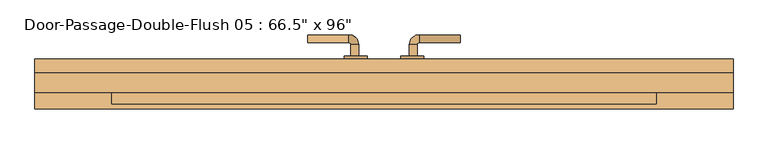
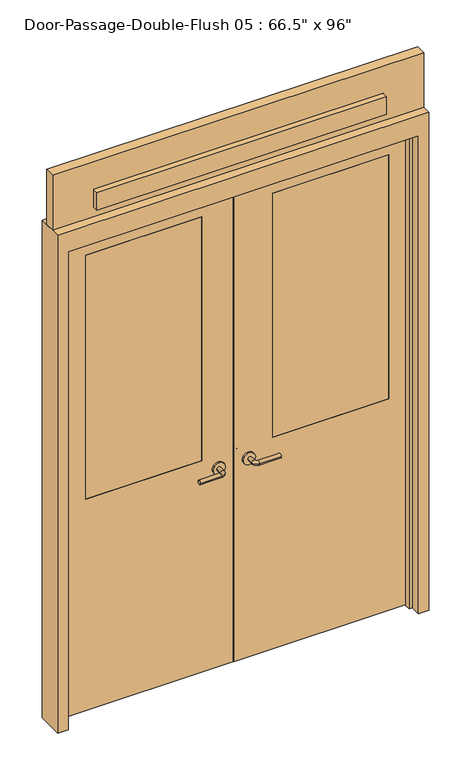
"""IFC4 building model written with IfcOpenShell, lengths in millimetres: door geometry."""

from ifc_helpers import new_model, si_unit, point, frame, frame_2d, origin, place, context, project, spatial, polyline, circle_curve, ellipse_curve, trimmed, segment, composite_curve, outline, extrude, faceted_brep, source, transform, mapped, element, save
from ifc_brep_helpers import plane_surface, cylinder_surface, revolved_surface, advanced_brep


def door_cf16450a(model_context):
    return source(origin(), model_context, "Body", "SolidModel", [
        advanced_brep(
        [(-65.009375, -87.375, 1016.0), (-85.009375, -87.375, 1016.0), (-65.009375, -117.375, 1016.0), (-85.009375, -117.375, 1016.0), (-90.009375, -122.375, 1016.0), (-90.009375, -142.375, 1016.0), (-195.009375, -142.375, 1016.0), (-195.009375, -122.375, 1016.0)],
        [
            (0, 1, circle_curve(frame((-75.009375, -87.375, 1016.0), z_axis=(0.0, 1.0, 0.0), x_axis=(-1.0, 0.0, 0.0)), 10.0)),
            (1, 0, circle_curve(frame((-75.009375, -87.375, 1016.0), z_axis=(0.0, 1.0, 0.0), x_axis=(-1.0, 0.0, 0.0)), 10.0)),
            (0, 2),
            (2, 3, circle_curve(frame((-75.009375, -117.375, 1016.0), z_axis=(0.0, 1.0, 0.0), x_axis=(-1.0, 0.0, 0.0)), 10.0)),
            (3, 1),
            (3, 2, circle_curve(frame((-75.009375, -117.375, 1016.0), z_axis=(0.0, 1.0, 0.0), x_axis=(-1.0, 0.0, 0.0)), 10.0)),
            (4, 3, circle_curve(frame((-90.009375, -117.375, 1016.0), z_axis=(0.0, 0.0, 1.0), x_axis=(1.0, 0.0, 0.0)), 5.0)),
            (2, 5, circle_curve(frame((-90.009375, -117.375, 1016.0), z_axis=(0.0, 0.0, -1.0), x_axis=(1.0, 0.0, 0.0)), 25.0)),
            (5, 4, circle_curve(frame((-90.009375, -132.375, 1016.0), z_axis=(1.0, 0.0, 0.0), x_axis=(0.0, 1.0, 0.0)), 10.0)),
            (4, 5, circle_curve(frame((-90.009375, -132.375, 1016.0), z_axis=(1.0, 0.0, 0.0), x_axis=(0.0, 1.0, 0.0)), 10.0)),
            (6, 7, circle_curve(frame((-195.009375, -132.375, 1016.0), z_axis=(-1.0, 0.0, 0.0), x_axis=(0.0, 1.0, 0.0)), 10.0)),
            (7, 6, circle_curve(frame((-195.009375, -132.375, 1016.0), z_axis=(-1.0, 0.0, 0.0), x_axis=(0.0, 1.0, 0.0)), 10.0)),
            (5, 6),
            (7, 4),
        ],
        [
            plane_surface(frame((-75.009375, -87.375, 1016.0), z_axis=(0.0, 1.0, 0.0), x_axis=(0.0, 0.0, 1.0))),
            cylinder_surface(frame((-75.009375, -87.375, 1016.0), z_axis=(0.0, 1.0, 0.0), x_axis=(-1.0, 0.0, 0.0)), 10.0),
            revolved_surface(trimmed(ellipse_curve(frame((-75.009375, -117.375, 1016.0), z_axis=(0.0, 1.0, 0.0), x_axis=(-1.0, 0.0, 0.0)), 10.0, 10.0), [point((-65.009375, -117.375, 1016.0))], [point((-85.009375, -117.375, 1016.0))], True, "CARTESIAN"), (-90.009375, -117.375, 1016.0), (0.0, 0.0, -1.0)),
            revolved_surface(trimmed(ellipse_curve(frame((-75.009375, -117.375, 1016.0), z_axis=(0.0, 1.0, 0.0), x_axis=(-1.0, 0.0, 0.0)), 10.0, 10.0), [point((-85.009375, -117.375, 1016.0))], [point((-65.009375, -117.375, 1016.0))], True, "CARTESIAN"), (-90.009375, -117.375, 1016.0), (0.0, 0.0, -1.0)),
            plane_surface(frame((-195.009375, -132.375, 1016.0), z_axis=(-1.0, 0.0, 0.0), x_axis=(0.0, 0.0, 1.0))),
            cylinder_surface(frame((-90.009375, -132.375, 1016.0), z_axis=(1.0, 0.0, 0.0), x_axis=(0.0, 1.0, 0.0)), 10.0),
        ],
        [
            (0, [[1, 2]]),
            (1, [[-1, 3, 4, 5]]),
            (1, [[-2, -5, 6, -3]]),
            (2, [[7, -4, 8, 9]]),
            (3, [[-8, -6, -7, 10]]),
            (4, [[11, 12]]),
            (5, [[-9, 13, -12, 14]]),
            (5, [[-10, -14, -11, -13]]),
        ],
    ),
        extrude(outline(composite_curve([segment(trimmed(circle_curve(frame_2d((1016.0, -72.509375)), 30.0), [point((1016.0, -42.509375))], [point((1016.0, -102.509375))], False, "CARTESIAN"), True, "CONTINUOUS"), segment(trimmed(circle_curve(frame_2d((1016.0, -72.509375)), 30.0), [point((1016.0, -102.509375))], [point((1016.0, -42.509375))], False, "CARTESIAN"), True, "CONTINUOUS")], self_intersect=False)), frame((0.0, -87.375, 0.0), z_axis=(0.0, 1.0, 0.0), x_axis=(0.0, 0.0, 1.0)), (0.0, 0.0, 1.0), 8.0),
        advanced_brep(
        [(-65.009375, -26.925, 1016.0), (-85.009375, -26.925, 1016.0), (-85.009375, 3.075, 1016.0), (-65.009375, 3.075, 1016.0), (-90.009375, 8.075, 1016.0), (-90.009375, 28.075, 1016.0), (-195.009375, 28.075, 1016.0), (-195.009375, 8.075, 1016.0)],
        [
            (0, 1, circle_curve(frame((-75.009375, -26.925, 1016.0), z_axis=(0.0, -1.0, 0.0), x_axis=(-1.0, 0.0, 0.0)), 10.0)),
            (1, 0, circle_curve(frame((-75.009375, -26.925, 1016.0), z_axis=(0.0, -1.0, 0.0), x_axis=(-1.0, 0.0, 0.0)), 10.0)),
            (1, 2),
            (2, 3, circle_curve(frame((-75.009375, 3.075, 1016.0), z_axis=(0.0, -1.0, 0.0), x_axis=(-1.0, 0.0, 0.0)), 10.0)),
            (3, 0),
            (3, 2, circle_curve(frame((-75.009375, 3.075, 1016.0), z_axis=(0.0, -1.0, 0.0), x_axis=(-1.0, 0.0, 0.0)), 10.0)),
            (4, 5, circle_curve(frame((-90.009375, 18.075, 1016.0), z_axis=(1.0, 0.0, 0.0), x_axis=(0.0, -1.0, 0.0)), 10.0)),
            (5, 3, circle_curve(frame((-90.009375, 3.075, 1016.0), z_axis=(0.0, 0.0, -1.0), x_axis=(1.0, 0.0, 0.0)), 25.0)),
            (2, 4, circle_curve(frame((-90.009375, 3.075, 1016.0), z_axis=(0.0, 0.0, 1.0), x_axis=(1.0, 0.0, 0.0)), 5.0)),
            (5, 4, circle_curve(frame((-90.009375, 18.075, 1016.0), z_axis=(1.0, 0.0, 0.0), x_axis=(0.0, -1.0, 0.0)), 10.0)),
            (6, 7, circle_curve(frame((-195.009375, 18.075, 1016.0), z_axis=(-1.0, 0.0, 0.0), x_axis=(0.0, -1.0, 0.0)), 10.0)),
            (7, 6, circle_curve(frame((-195.009375, 18.075, 1016.0), z_axis=(-1.0, 0.0, 0.0), x_axis=(0.0, -1.0, 0.0)), 10.0)),
            (4, 7),
            (6, 5),
        ],
        [
            plane_surface(frame((-75.009375, -26.925, 1016.0), z_axis=(0.0, -1.0, 0.0), x_axis=(0.0, 0.0, 1.0))),
            cylinder_surface(frame((-75.009375, -26.925, 1016.0), z_axis=(0.0, -1.0, 0.0), x_axis=(-1.0, 0.0, 0.0)), 10.0),
            revolved_surface(trimmed(ellipse_curve(frame((-75.009375, 3.075, 1016.0), z_axis=(0.0, 1.0, 0.0), x_axis=(-1.0, 0.0, 0.0)), 10.0, 10.0), [point((-65.009375, 3.075, 1016.0))], [point((-85.009375, 3.075, 1016.0))], True, "CARTESIAN"), (-90.009375, 3.075, 1016.0), (0.0, 0.0, -1.0)),
            revolved_surface(trimmed(ellipse_curve(frame((-75.009375, 3.075, 1016.0), z_axis=(0.0, 1.0, 0.0), x_axis=(-1.0, 0.0, 0.0)), 10.0, 10.0), [point((-85.009375, 3.075, 1016.0))], [point((-65.009375, 3.075, 1016.0))], True, "CARTESIAN"), (-90.009375, 3.075, 1016.0), (0.0, 0.0, -1.0)),
            plane_surface(frame((-195.009375, 18.075, 1016.0), z_axis=(-1.0, 0.0, 0.0), x_axis=(0.0, 0.0, 1.0))),
            cylinder_surface(frame((-90.009375, 18.075, 1016.0), z_axis=(1.0, 0.0, 0.0), x_axis=(0.0, -1.0, 0.0)), 10.0),
        ],
        [
            (0, [[1, 2]]),
            (1, [[3, 4, 5, -2]]),
            (1, [[-5, 6, -3, -1]]),
            (2, [[7, 8, -4, 9]]),
            (3, [[10, -9, -6, -8]]),
            (4, [[11, 12]]),
            (5, [[13, -11, 14, -7]]),
            (5, [[-14, -12, -13, -10]]),
        ],
    ),
        extrude(outline(composite_curve([segment(trimmed(circle_curve(frame_2d((1016.0, -72.509375)), 30.0), [point((1016.0, -42.509375))], [point((1016.0, -102.509375))], False, "CARTESIAN"), True, "CONTINUOUS"), segment(trimmed(circle_curve(frame_2d((1016.0, -72.509375)), 30.0), [point((1016.0, -102.509375))], [point((1016.0, -42.509375))], False, "CARTESIAN"), True, "CONTINUOUS")], self_intersect=False)), frame((0.0, -34.925, 0.0), z_axis=(0.0, 1.0, 0.0), x_axis=(0.0, 0.0, 1.0)), (0.0, 0.0, 1.0), 8.0),
        advanced_brep(
        [(65.009375, -87.375, 1016.0), (85.009375, -87.375, 1016.0), (85.009375, -117.375, 1016.0), (65.009375, -117.375, 1016.0), (90.009375, -122.375, 1016.0), (90.009375, -142.375, 1016.0), (195.009375, -142.375, 1016.0), (195.009375, -122.375, 1016.0)],
        [
            (0, 1, circle_curve(frame((75.009375, -87.375, 1016.0), z_axis=(0.0, 1.0, 0.0), x_axis=(1.0, 0.0, 0.0)), 10.0)),
            (1, 0, circle_curve(frame((75.009375, -87.375, 1016.0), z_axis=(0.0, 1.0, 0.0), x_axis=(1.0, 0.0, 0.0)), 10.0)),
            (1, 2),
            (2, 3, circle_curve(frame((75.009375, -117.375, 1016.0), z_axis=(0.0, 1.0, 0.0), x_axis=(1.0, 0.0, 0.0)), 10.0)),
            (3, 0),
            (3, 2, circle_curve(frame((75.009375, -117.375, 1016.0), z_axis=(0.0, 1.0, 0.0), x_axis=(1.0, 0.0, 0.0)), 10.0)),
            (4, 5, circle_curve(frame((90.009375, -132.375, 1016.0), z_axis=(-1.0, 0.0, 0.0), x_axis=(0.0, 1.0, 0.0)), 10.0)),
            (5, 3, circle_curve(frame((90.009375, -117.375, 1016.0), z_axis=(0.0, 0.0, -1.0), x_axis=(-1.0, 0.0, 0.0)), 25.0)),
            (2, 4, circle_curve(frame((90.009375, -117.375, 1016.0), z_axis=(0.0, 0.0, 1.0), x_axis=(-1.0, 0.0, 0.0)), 5.0)),
            (5, 4, circle_curve(frame((90.009375, -132.375, 1016.0), z_axis=(-1.0, 0.0, 0.0), x_axis=(0.0, 1.0, 0.0)), 10.0)),
            (6, 7, circle_curve(frame((195.009375, -132.375, 1016.0), z_axis=(1.0, 0.0, 0.0), x_axis=(0.0, 1.0, 0.0)), 10.0)),
            (7, 6, circle_curve(frame((195.009375, -132.375, 1016.0), z_axis=(1.0, 0.0, 0.0), x_axis=(0.0, 1.0, 0.0)), 10.0)),
            (4, 7),
            (6, 5),
        ],
        [
            plane_surface(frame((75.009375, -87.375, 1016.0), z_axis=(0.0, 1.0, 0.0), x_axis=(0.0, 0.0, 1.0))),
            cylinder_surface(frame((75.009375, -87.375, 1016.0), z_axis=(0.0, 1.0, 0.0), x_axis=(1.0, 0.0, 0.0)), 10.0),
            revolved_surface(trimmed(ellipse_curve(frame((75.009375, -117.375, 1016.0), z_axis=(0.0, -1.0, 0.0), x_axis=(1.0, 0.0, 0.0)), 10.0, 10.0), [point((65.009375, -117.375, 1016.0))], [point((85.009375, -117.375, 1016.0))], True, "CARTESIAN"), (90.009375, -117.375, 1016.0), (0.0, 0.0, -1.0)),
            revolved_surface(trimmed(ellipse_curve(frame((75.009375, -117.375, 1016.0), z_axis=(0.0, -1.0, 0.0), x_axis=(1.0, 0.0, 0.0)), 10.0, 10.0), [point((85.009375, -117.375, 1016.0))], [point((65.009375, -117.375, 1016.0))], True, "CARTESIAN"), (90.009375, -117.375, 1016.0), (0.0, 0.0, -1.0)),
            plane_surface(frame((195.009375, -132.375, 1016.0), z_axis=(1.0, 0.0, 0.0), x_axis=(0.0, 0.0, 1.0))),
            cylinder_surface(frame((90.009375, -132.375, 1016.0), z_axis=(-1.0, 0.0, 0.0), x_axis=(0.0, 1.0, 0.0)), 10.0),
        ],
        [
            (0, [[1, 2]]),
            (1, [[3, 4, 5, -2]]),
            (1, [[-5, 6, -3, -1]]),
            (2, [[7, 8, -4, 9]]),
            (3, [[10, -9, -6, -8]]),
            (4, [[11, 12]]),
            (5, [[13, -11, 14, -7]]),
            (5, [[-14, -12, -13, -10]]),
        ],
    ),
        extrude(outline(composite_curve([segment(trimmed(circle_curve(frame_2d((1016.0, 72.509375)), 30.0), [point((1016.0, 42.509375))], [point((1016.0, 102.509375))], False, "CARTESIAN"), True, "CONTINUOUS"), segment(trimmed(circle_curve(frame_2d((1016.0, 72.509375)), 30.0), [point((1016.0, 102.509375))], [point((1016.0, 42.509375))], False, "CARTESIAN"), True, "CONTINUOUS")], self_intersect=False)), frame((0.0, -87.375, 0.0), z_axis=(0.0, 1.0, 0.0), x_axis=(0.0, 0.0, 1.0)), (0.0, 0.0, 1.0), 8.0),
        advanced_brep(
        [(65.009375, -26.925, 1016.0), (85.009375, -26.925, 1016.0), (65.009375, 3.075, 1016.0), (85.009375, 3.075, 1016.0), (90.009375, 8.075, 1016.0), (90.009375, 28.075, 1016.0), (195.009375, 28.075, 1016.0), (195.009375, 8.075, 1016.0)],
        [
            (0, 1, circle_curve(frame((75.009375, -26.925, 1016.0), z_axis=(0.0, -1.0, 0.0), x_axis=(1.0, 0.0, 0.0)), 10.0)),
            (1, 0, circle_curve(frame((75.009375, -26.925, 1016.0), z_axis=(0.0, -1.0, 0.0), x_axis=(1.0, 0.0, 0.0)), 10.0)),
            (0, 2),
            (2, 3, circle_curve(frame((75.009375, 3.075, 1016.0), z_axis=(0.0, -1.0, 0.0), x_axis=(1.0, 0.0, 0.0)), 10.0)),
            (3, 1),
            (3, 2, circle_curve(frame((75.009375, 3.075, 1016.0), z_axis=(0.0, -1.0, 0.0), x_axis=(1.0, 0.0, 0.0)), 10.0)),
            (4, 3, circle_curve(frame((90.009375, 3.075, 1016.0), z_axis=(0.0, 0.0, 1.0), x_axis=(-1.0, 0.0, 0.0)), 5.0)),
            (2, 5, circle_curve(frame((90.009375, 3.075, 1016.0), z_axis=(0.0, 0.0, -1.0), x_axis=(-1.0, 0.0, 0.0)), 25.0)),
            (5, 4, circle_curve(frame((90.009375, 18.075, 1016.0), z_axis=(-1.0, 0.0, 0.0), x_axis=(0.0, -1.0, 0.0)), 10.0)),
            (4, 5, circle_curve(frame((90.009375, 18.075, 1016.0), z_axis=(-1.0, 0.0, 0.0), x_axis=(0.0, -1.0, 0.0)), 10.0)),
            (6, 7, circle_curve(frame((195.009375, 18.075, 1016.0), z_axis=(1.0, 0.0, 0.0), x_axis=(0.0, -1.0, 0.0)), 10.0)),
            (7, 6, circle_curve(frame((195.009375, 18.075, 1016.0), z_axis=(1.0, 0.0, 0.0), x_axis=(0.0, -1.0, 0.0)), 10.0)),
            (5, 6),
            (7, 4),
        ],
        [
            plane_surface(frame((75.009375, -26.925, 1016.0), z_axis=(0.0, -1.0, 0.0), x_axis=(0.0, 0.0, 1.0))),
            cylinder_surface(frame((75.009375, -26.925, 1016.0), z_axis=(0.0, -1.0, 0.0), x_axis=(1.0, 0.0, 0.0)), 10.0),
            revolved_surface(trimmed(ellipse_curve(frame((75.009375, 3.075, 1016.0), z_axis=(0.0, -1.0, 0.0), x_axis=(1.0, 0.0, 0.0)), 10.0, 10.0), [point((65.009375, 3.075, 1016.0))], [point((85.009375, 3.075, 1016.0))], True, "CARTESIAN"), (90.009375, 3.075, 1016.0), (0.0, 0.0, -1.0)),
            revolved_surface(trimmed(ellipse_curve(frame((75.009375, 3.075, 1016.0), z_axis=(0.0, -1.0, 0.0), x_axis=(1.0, 0.0, 0.0)), 10.0, 10.0), [point((85.009375, 3.075, 1016.0))], [point((65.009375, 3.075, 1016.0))], True, "CARTESIAN"), (90.009375, 3.075, 1016.0), (0.0, 0.0, -1.0)),
            plane_surface(frame((195.009375, 18.075, 1016.0), z_axis=(1.0, 0.0, 0.0), x_axis=(0.0, 0.0, 1.0))),
            cylinder_surface(frame((90.009375, 18.075, 1016.0), z_axis=(-1.0, 0.0, 0.0), x_axis=(0.0, -1.0, 0.0)), 10.0),
        ],
        [
            (0, [[1, 2]]),
            (1, [[-1, 3, 4, 5]]),
            (1, [[-2, -5, 6, -3]]),
            (2, [[7, -4, 8, 9]]),
            (3, [[-8, -6, -7, 10]]),
            (4, [[11, 12]]),
            (5, [[-9, 13, -12, 14]]),
            (5, [[-10, -14, -11, -13]]),
        ],
    ),
        extrude(outline(composite_curve([segment(trimmed(circle_curve(frame_2d((1016.0, 72.509375)), 30.0), [point((1016.0, 42.509375))], [point((1016.0, 102.509375))], False, "CARTESIAN"), True, "CONTINUOUS"), segment(trimmed(circle_curve(frame_2d((1016.0, 72.509375)), 30.0), [point((1016.0, 102.509375))], [point((1016.0, 42.509375))], False, "CARTESIAN"), True, "CONTINUOUS")], self_intersect=False)), frame((0.0, -34.925, 0.0), z_axis=(0.0, 1.0, 0.0), x_axis=(0.0, 0.0, 1.0)), (0.0, 0.0, 1.0), 8.0),
        faceted_brep([(844.55, -84.1375, 0.0), (844.55, -34.925, 0.0), (895.35, -34.925, 0.0), (895.35, -161.925, 0.0), (844.55, -161.925, 0.0), (844.55, -112.7125, 0.0), (828.675, -112.7125, 0.0), (828.675, -84.1375, 0.0), (844.55, -84.1375, 2438.4), (844.55, -34.925, 2438.4), (-844.55, -34.925, 2438.4), (-844.55, -34.925, 0.0), (-895.35, -34.925, 0.0), (-895.35, -34.925, 2540.0), (895.35, -34.925, 2540.0), (895.35, -161.925, 2540.0), (-895.35, -161.925, 2540.0), (-895.35, -161.925, 0.0), (-844.55, -161.925, 0.0), (-844.55, -161.925, 2438.4), (844.55, -161.925, 2438.4), (844.55, -112.7125, 2438.4), (-844.55, -112.7125, 2438.4), (-844.55, -112.7125, 0.0), (-828.675, -112.7125, 0.0), (-828.675, -112.7125, 2422.525), (828.675, -112.7125, 2422.525), (828.675, -84.1375, 2422.525), (-828.675, -84.1375, 2422.525), (-828.675, -84.1375, 0.0), (-844.55, -84.1375, 0.0), (-844.55, -84.1375, 2438.4)], [[[0, 1, 2, 3, 4, 5, 6, 7]], [[1, 0, 8, 9]], [[2, 1, 9, 10, 11, 12, 13, 14]], [[3, 2, 14, 15]], [[4, 3, 15, 16, 17, 18, 19, 20]], [[5, 4, 20, 21]], [[6, 5, 21, 22, 23, 24, 25, 26]], [[7, 6, 26, 27]], [[0, 7, 27, 28, 29, 30, 31, 8]], [[9, 8, 31, 10]], [[20, 19, 22, 21]], [[26, 25, 28, 27]], [[12, 11, 30, 29, 24, 23, 18, 17]], [[11, 10, 31, 30]], [[13, 12, 17, 16]], [[19, 18, 23, 22]], [[25, 24, 29, 28]], [[15, 14, 13, 16]]]),
        extrude(outline(polyline([(2438.4, 1.5875), (0.0, 1.5875), (0.0, 844.55), (2438.4, 844.55), (2438.4, 1.5875)]), holes=[polyline([(2324.1, 748.8309013), (1079.5, 748.8309013), (1079.5, 190.0309013), (2324.1, 190.0309013), (2324.1, 748.8309013)])]), frame((0.0, -79.375, 0.0), z_axis=(0.0, 1.0, 0.0), x_axis=(0.0, 0.0, 1.0)), (0.0, 0.0, 1.0), 44.45),
        extrude(outline(polyline([(0.0, -1.5875), (2438.4, -1.5875), (2438.4, -844.55), (0.0, -844.55), (0.0, -1.5875)]), holes=[polyline([(2324.1, -152.4), (1079.5, -152.4), (1079.5, -711.2), (2324.1, -711.2), (2324.1, -152.4)])]), frame((0.0, -79.375, 0.0), z_axis=(0.0, 1.0, 0.0), x_axis=(0.0, 0.0, 1.0)), (0.0, 0.0, 1.0), 44.45),
        extrude(outline(polyline([(748.8309013, -79.375), (190.0309013, -79.375), (190.0309013, -34.925), (748.8309013, -34.925), (748.8309013, -79.375)])), frame((0.0, 0.0, 1079.5), z_axis=(0.0, 0.0, 1.0), x_axis=(1.0, 0.0, 0.0)), (0.0, 0.0, 1.0), 1244.6),
        extrude(outline(polyline([(-152.4, -79.375), (-711.2, -79.375), (-711.2, -34.925), (-152.4, -34.925), (-152.4, -79.375)])), frame((0.0, 0.0, 1079.5), z_axis=(0.0, 0.0, 1.0), x_axis=(1.0, 0.0, 0.0)), (0.0, 0.0, 1.0), 1244.6),
        extrude(outline(polyline([(698.5, -149.225), (-698.5, -149.225), (-698.5, -69.85), (698.5, -69.85), (698.5, -149.225)])), frame((0.0, 0.0, 2590.8), z_axis=(0.0, 0.0, 1.0), x_axis=(1.0, 0.0, 0.0)), (0.0, 0.0, 1.0), 88.9),
        extrude(outline(polyline([(2819.4, 895.35), (2819.4, -895.35), (2540.0, -895.35), (2540.0, 895.35), (2819.4, 895.35)]), holes=[polyline([(2590.8, 698.5), (2590.8, -698.5), (2679.7, -698.5), (2679.7, 698.5), (2590.8, 698.5)])]), frame((0.0, -120.65, 0.0), z_axis=(0.0, 1.0, 0.0), x_axis=(0.0, 0.0, 1.0)), (0.0, 0.0, 1.0), 50.8),
    ])


if __name__ == "__main__":
    model = new_model("IFC4")
    model_context = context("Model", 3, world=origin())
    ifc_project = project(units=[si_unit("LENGTHUNIT", "METRE", prefix="MILLI")], contexts=[model_context])
    site = spatial("IfcSite", under=ifc_project)
    building = spatial("IfcBuilding", under=site)
    placement = place(None, origin())
    door_shape = door_cf16450a(model_context)
    element("IfcDoor", 1, ObjectType="Door-Passage-Double-Flush 05 : 66.5\" x 96\"", at=placement, inside=building, context=model_context, shape_type="MappedRepresentation", body=[
        mapped(door_shape, transform((0.0, 0.0, 0.0), x_axis=(1.0, 0.0, 0.0), y_axis=(0.0, 1.0, 0.0), z_axis=(0.0, 0.0, 1.0))),
    ])
    save(model, "model.ifc")
